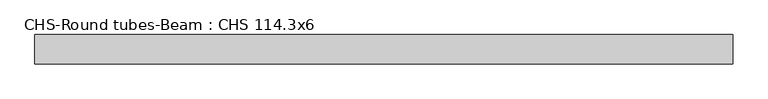
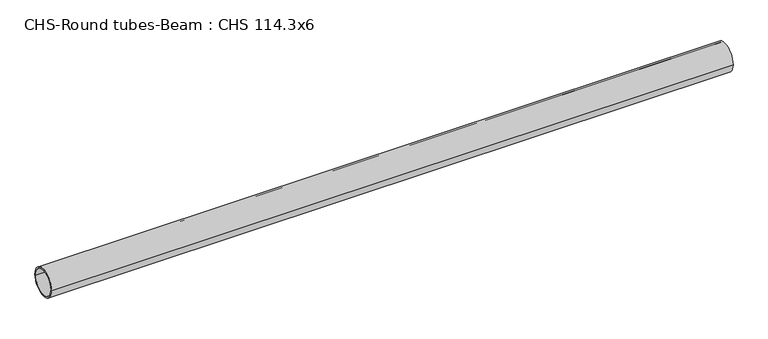
"""IFC4 building model written with IfcOpenShell, lengths in millimetres: beam geometry, CHS-Round tubes-Beam : CHS 114.3x6."""

from ifc_helpers import new_model, si_unit, point, frame, origin, origin_2d, place, context, project, spatial, circle_curve, trimmed, segment, composite_curve, outline, extrude, source, transform, mapped, element, save


def chs_round_tubes_beam_chs_114_3x6_22949698(model_context):
    return source(origin(), model_context, "Body", "SweptSolid", [
        extrude(outline(composite_curve([segment(trimmed(circle_curve(origin_2d(), 57.15), [point((57.15, 0.0))], [point((-57.15, 0.0))], False, "CARTESIAN"), True, "CONTINUOUS"), segment(trimmed(circle_curve(origin_2d(), 57.15), [point((-57.15, 0.0))], [point((57.15, 0.0))], False, "CARTESIAN"), True, "CONTINUOUS")], self_intersect=False), holes=[composite_curve([segment(trimmed(circle_curve(origin_2d(), 51.15), [point((51.15, 0.0))], [point((-51.15, 0.0))], True, "CARTESIAN"), True, "CONTINUOUS"), segment(trimmed(circle_curve(origin_2d(), 51.15), [point((-51.15, 0.0))], [point((51.15, 0.0))], True, "CARTESIAN"), True, "CONTINUOUS")], self_intersect=False)]), frame((-1312.6117367, 0.0, 0.0), z_axis=(1.0, 0.0, 0.0), x_axis=(0.0, 1.0, 0.0)), (0.0, 0.0, 1.0), 2732.6021531),
    ])


if __name__ == "__main__":
    model = new_model("IFC4")
    model_context = context("Model", 3, world=origin())
    ifc_project = project(units=[si_unit("LENGTHUNIT", "METRE", prefix="MILLI")], contexts=[model_context])
    site = spatial("IfcSite", under=ifc_project)
    building = spatial("IfcBuilding", under=site)
    placement = place(None, origin())
    chs_round_tubes_beam_chs_114_3x6_shape = chs_round_tubes_beam_chs_114_3x6_22949698(model_context)
    element("IfcBeam", 1, ObjectType="CHS-Round tubes-Beam : CHS 114.3x6", at=placement, inside=building, context=model_context, shape_type="MappedRepresentation", body=[
        mapped(chs_round_tubes_beam_chs_114_3x6_shape, transform((0.0, 0.0, 0.0), x_axis=(1.0, 0.0, 0.0), y_axis=(0.0, 1.0, 0.0), z_axis=(0.0, 0.0, 1.0))),
    ])
    save(model, "model.ifc")
